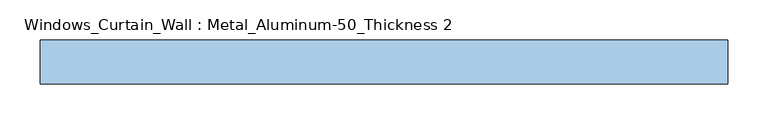
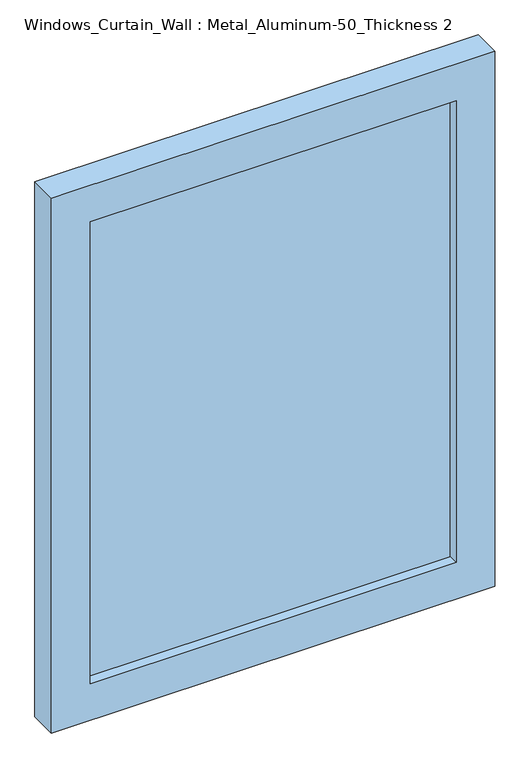
"""IFC4 building model written with IfcOpenShell, lengths in millimetres: window geometry, Windows_Curtain_Wall : Metal_Aluminum-50_Thickness 2."""

from ifc_helpers import new_model, si_unit, frame, origin, place, context, project, spatial, polyline, outline, extrude, source, transform, mapped, element, save


def windows_curtain_wall_metal_aluminum_50_thickness_2_4204a239(model_context):
    return source(origin(), model_context, "Body", "SweptSolid", [
        extrude(outline(polyline([(1094.6514832, -429.1113023), (0.0, -429.1113023), (0.0, 429.1113023), (1094.6514832, 429.1113023), (1094.6514832, -429.1113023)]), holes=[polyline([(1019.6514832, -354.1113023), (1019.6514832, 354.1113023), (75.0, 354.1113023), (75.0, -354.1113023), (1019.6514832, -354.1113023)])]), frame((0.0, -30.0, 0.0), z_axis=(0.0, 1.0, 0.0), x_axis=(0.0, 0.0, 1.0)), (0.0, 0.0, 1.0), 55.0),
        extrude(outline(polyline([(354.1113023, -10.95), (-354.1113023, -10.95), (-354.1113023, 1.75), (354.1113023, 1.75), (354.1113023, -10.95)])), frame((0.0, 0.0, 75.0), z_axis=(0.0, 0.0, 1.0), x_axis=(1.0, 0.0, 0.0)), (0.0, 0.0, 1.0), 944.6514832),
    ])


if __name__ == "__main__":
    model = new_model("IFC4")
    model_context = context("Model", 3, world=origin())
    ifc_project = project(units=[si_unit("LENGTHUNIT", "METRE", prefix="MILLI")], contexts=[model_context])
    site = spatial("IfcSite", under=ifc_project)
    building = spatial("IfcBuilding", under=site)
    placement = place(None, origin())
    windows_curtain_wall_metal_aluminum_50_thickness_2_shape = windows_curtain_wall_metal_aluminum_50_thickness_2_4204a239(model_context)
    element("IfcWindow", 1, ObjectType="Windows_Curtain_Wall : Metal_Aluminum-50_Thickness 2", at=placement, inside=building, context=model_context, shape_type="MappedRepresentation", body=[
        mapped(windows_curtain_wall_metal_aluminum_50_thickness_2_shape, transform((0.0, 0.0, 0.0), x_axis=(1.0, 0.0, 0.0), y_axis=(0.0, 1.0, 0.0), z_axis=(0.0, 0.0, 1.0))),
    ])
    save(model, "model.ifc")
